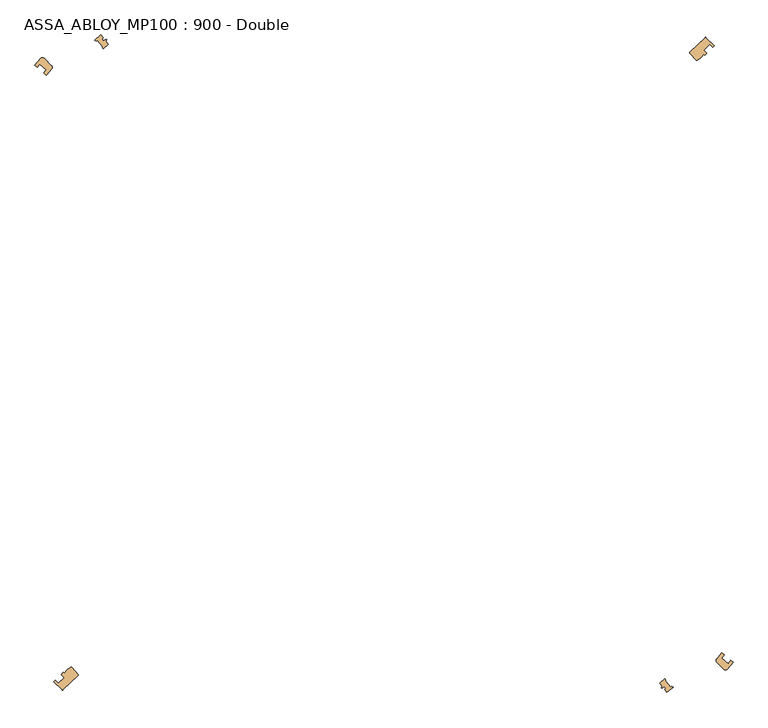
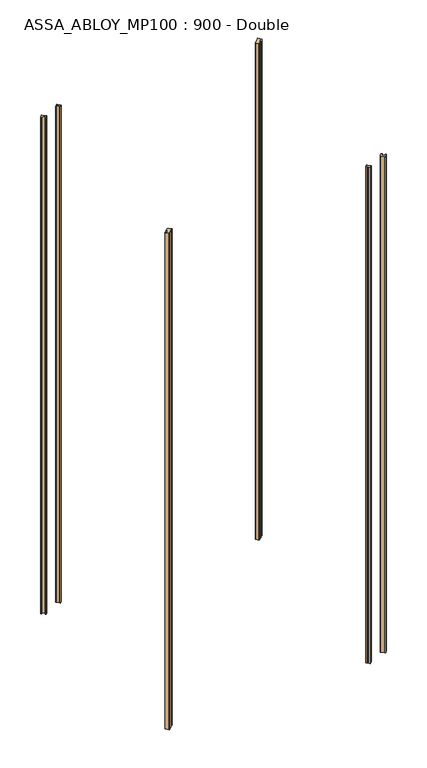
"""IFC4 building model written with IfcOpenShell, lengths in millimetres: door geometry, ASSA_ABLOY_MP100 : 900 - Double."""

from ifc_helpers import new_model, si_unit, point, frame_2d, origin, origin_with_axes, place, context, project, spatial, polyline, circle_curve, trimmed, segment, composite_curve, outline, extrude, source, transform, mapped, element, save


def assa_abloy_mp100_900_double_d3342b2b(model_context):
    return source(origin(), model_context, "Body", "SweptSolid", [
        extrude(outline(composite_curve([segment(polyline([(627.8022851, 512.4185214), (653.0105826, 536.273582)]), True, "CONTINUOUS"), segment(trimmed(circle_curve(frame_2d((653.697925, 535.5472484)), 1.0), [point((653.0105826, 536.273582))], [point((654.4010549, 536.2583099))], False, "CARTESIAN"), True, "CONTINUOUS"), segment(trimmed(circle_curve(frame_2d((46.5111473, -78.4888527)), 864.5485606), [point((654.4010549, 536.2583099))], [point((667.7323222, 522.7835194))], False, "CARTESIAN"), True, "CONTINUOUS"), segment(polyline([(667.7323222, 522.7835194), (665.5766729, 520.6970928)]), True, "CONTINUOUS"), segment(trimmed(circle_curve(frame_2d((46.5111473, -78.4888527)), 861.5485606), [point((665.5766729, 520.6970928))], [point((660.6879103, 525.7071635))], True, "CARTESIAN"), True, "CONTINUOUS"), segment(polyline([(660.6879103, 525.7071635), (650.6278759, 515.9701793)]), True, "CONTINUOUS"), segment(trimmed(circle_curve(frame_2d((46.5111473, -78.4888527)), 847.5485606), [point((650.6278759, 515.9701793))], [point((655.516976, 510.9604353))], False, "CARTESIAN"), True, "CONTINUOUS"), segment(polyline([(655.516976, 510.9604353), (652.0458362, 507.6007616), (650.561018, 509.1735132), (646.5644525, 504.0728199)]), True, "CONTINUOUS"), segment(trimmed(circle_curve(frame_2d((643.4158467, 506.5398589)), 4.0), [point((646.5644525, 504.0728199))], [point((645.705581, 503.2600545))], False, "CARTESIAN"), True, "CONTINUOUS"), segment(polyline([(645.705581, 503.2600545), (639.7589131, 499.1084991)]), True, "CONTINUOUS"), segment(trimmed(circle_curve(frame_2d((639.4871056, 500.0708508)), 1.0), [point((639.7589131, 499.1084991))], [point((638.760772, 499.3835084))], False, "CARTESIAN"), True, "CONTINUOUS"), segment(polyline([(638.760772, 499.3835084), (627.7632939, 511.0048455)]), True, "CONTINUOUS"), segment(trimmed(circle_curve(frame_2d((628.4896275, 511.6921878)), 1.0), [point((627.7632939, 511.0048455))], [point((627.8022851, 512.4185214))], False, "CARTESIAN"), True, "CONTINUOUS")], self_intersect=False)), origin_with_axes(), (0.0, 0.0, 1.0), 2600.0),
        extrude(outline(composite_curve([segment(polyline([(-377.8022851, -512.4185214), (-403.0105826, -536.273582)]), True, "CONTINUOUS"), segment(trimmed(circle_curve(frame_2d((-403.697925, -535.5472484)), 1.0), [point((-403.0105826, -536.273582))], [point((-404.4010549, -536.2583099))], False, "CARTESIAN"), True, "CONTINUOUS"), segment(trimmed(circle_curve(frame_2d((203.4888527, 78.4888527)), 864.5485606), [point((-404.4010549, -536.2583099))], [point((-417.7323222, -522.7835194))], False, "CARTESIAN"), True, "CONTINUOUS"), segment(polyline([(-417.7323222, -522.7835194), (-415.5766729, -520.6970928)]), True, "CONTINUOUS"), segment(trimmed(circle_curve(frame_2d((203.4888527, 78.4888527)), 861.5485606), [point((-415.5766729, -520.6970928))], [point((-410.6879103, -525.7071635))], True, "CARTESIAN"), True, "CONTINUOUS"), segment(polyline([(-410.6879103, -525.7071635), (-400.6278759, -515.9701793)]), True, "CONTINUOUS"), segment(trimmed(circle_curve(frame_2d((203.4888527, 78.4888527)), 847.5485606), [point((-400.6278759, -515.9701793))], [point((-405.516976, -510.9604353))], False, "CARTESIAN"), True, "CONTINUOUS"), segment(polyline([(-405.516976, -510.9604353), (-402.0458362, -507.6007616), (-400.561018, -509.1735132), (-396.5644525, -504.0728199)]), True, "CONTINUOUS"), segment(trimmed(circle_curve(frame_2d((-393.4158467, -506.5398589)), 4.0), [point((-396.5644525, -504.0728199))], [point((-395.705581, -503.2600545))], False, "CARTESIAN"), True, "CONTINUOUS"), segment(polyline([(-395.705581, -503.2600545), (-389.7589131, -499.1084991)]), True, "CONTINUOUS"), segment(trimmed(circle_curve(frame_2d((-389.4871056, -500.0708508)), 1.0), [point((-389.7589131, -499.1084991))], [point((-388.760772, -499.3835084))], False, "CARTESIAN"), True, "CONTINUOUS"), segment(polyline([(-388.760772, -499.3835084), (-377.7632939, -511.0048455)]), True, "CONTINUOUS"), segment(trimmed(circle_curve(frame_2d((-378.4896275, -511.6921878)), 1.0), [point((-377.7632939, -511.0048455))], [point((-377.8022851, -512.4185214))], False, "CARTESIAN"), True, "CONTINUOUS")], self_intersect=False)), origin_with_axes(), (0.0, 0.0, 1.0), 2600.0),
        extrude(outline(composite_curve([segment(polyline([(-449.0446278, 490.6398228), (-439.3824145, 502.3973623)]), True, "CONTINUOUS"), segment(trimmed(circle_curve(frame_2d((-436.6767137, 499.4513169)), 4.0), [point((-439.3824145, 502.3973623))], [point((-433.8482865, 502.2797441))], False, "CARTESIAN"), True, "CONTINUOUS"), segment(polyline([(-433.8482865, 502.2797441), (-421.8771921, 490.3086496)]), True, "CONTINUOUS"), segment(trimmed(circle_curve(frame_2d((-424.7056192, 487.4802224)), 4.0), [point((-421.8771921, 490.3086496))], [point((-421.6151944, 484.9406802))], False, "CARTESIAN"), True, "CONTINUOUS"), segment(polyline([(-421.6151944, 484.9406802), (-430.1809085, 474.5168744), (-434.9038649, 478.5536172)]), True, "CONTINUOUS"), segment(trimmed(circle_curve(frame_2d((125.0, 0.0)), 736.55), [point((-434.9038649, 478.5536172))], [point((-430.3305163, 483.853201))], False, "CARTESIAN"), True, "CONTINUOUS"), segment(polyline([(-430.3305163, 483.853201), (-440.9733804, 492.9497289)]), True, "CONTINUOUS"), segment(trimmed(circle_curve(frame_2d((125.0, 0.0)), 750.55), [point((-440.9733804, 492.9497289))], [point((-445.5462573, 487.6497419))], True, "CARTESIAN"), True, "CONTINUOUS"), segment(polyline([(-445.5462573, 487.6497419), (-449.0446278, 490.6398228)]), True, "CONTINUOUS")], self_intersect=False)), origin_with_axes(), (0.0, 0.0, 1.0), 2600.0),
        extrude(outline(composite_curve([segment(polyline([(699.0472043, -490.6366708), (689.3823376, -502.3974391)]), True, "CONTINUOUS"), segment(trimmed(circle_curve(frame_2d((686.676266, -499.4735295)), 3.9839768), [point((689.3823376, -502.3974391))], [point((683.859169, -502.2906265))], False, "CARTESIAN"), True, "CONTINUOUS"), segment(polyline([(683.859169, -502.2906265), (672.4269581, -490.8584156)]), True, "CONTINUOUS"), segment(trimmed(circle_curve(frame_2d((675.2553852, -488.0299885)), 4.0), [point((672.4269581, -490.8584156))], [point((672.1649605, -485.4904462))], False, "CARTESIAN"), True, "CONTINUOUS"), segment(polyline([(672.1649605, -485.4904462), (680.7717345, -475.0166737), (684.90535, -478.5496643)]), True, "CONTINUOUS"), segment(trimmed(circle_curve(frame_2d((125.0, 0.0)), 736.5485606), [point((684.90535, -478.5496643))], [point((680.3320299, -483.8492727))], False, "CARTESIAN"), True, "CONTINUOUS"), segment(polyline([(680.3320299, -483.8492727), (690.974943, -492.9457432)]), True, "CONTINUOUS"), segment(trimmed(circle_curve(frame_2d((125.0, 0.0)), 750.5485606), [point((690.974943, -492.9457432))], [point((695.5477914, -487.6457316))], True, "CARTESIAN"), True, "CONTINUOUS"), segment(polyline([(695.5477914, -487.6457316), (699.0472043, -490.6366708)]), True, "CONTINUOUS")], self_intersect=False)), origin_with_axes(), (0.0, 0.0, 1.0), 2600.0),
        extrude(outline(composite_curve([segment(polyline([(-332.5134606, 530.6384333), (-328.0517381, 525.0584468)]), True, "CONTINUOUS"), segment(trimmed(circle_curve(frame_2d((125.0, 0.0)), 693.5), [point((-328.0517381, 525.0584468))], [point((-336.2779056, 517.8464481))], True, "CARTESIAN"), True, "CONTINUOUS"), segment(polyline([(-336.2779056, 517.8464481), (-338.5987309, 520.1672734), (-337.5567784, 521.000412), (-346.2998004, 531.9347417), (-348.5594208, 530.1279633), (-350.5324218, 532.1009643)]), True, "CONTINUOUS"), segment(trimmed(circle_curve(frame_2d((125.0, 0.0)), 713.6263171), [point((-350.5324218, 532.1009643))], [point((-340.6292108, 540.7882751))], False, "CARTESIAN"), True, "CONTINUOUS"), segment(polyline([(-340.6292108, 540.7882751), (-336.5727208, 535.7150864), (-338.5252797, 534.1538325), (-336.3395242, 531.4202501), (-331.597733, 533.4963848), (-330.9792385, 532.7228738), (-332.5134606, 530.6384333)]), True, "CONTINUOUS")], self_intersect=False)), origin_with_axes(), (0.0, 0.0, 1.0), 2600.0),
        extrude(outline(composite_curve([segment(polyline([(582.2445492, -530.3695219), (578.0517381, -525.0584468)]), True, "CONTINUOUS"), segment(trimmed(circle_curve(frame_2d((125.0, 0.0)), 693.5), [point((578.0517381, -525.0584468))], [point((586.2779056, -517.8464481))], True, "CARTESIAN"), True, "CONTINUOUS"), segment(polyline([(586.2779056, -517.8464481), (588.5987309, -520.1672734), (587.5567784, -521.000412), (596.2998004, -531.9347418), (598.5594208, -530.1279633), (600.2638351, -531.8323776)]), True, "CONTINUOUS"), segment(trimmed(circle_curve(frame_2d((125.0, 0.0)), 713.2470755), [point((600.2638351, -531.8323776))], [point((590.3602994, -540.5193636))], False, "CARTESIAN"), True, "CONTINUOUS"), segment(polyline([(590.3602994, -540.5193636), (586.3038094, -535.446175), (588.2563683, -533.8849211), (586.0706128, -531.1513387), (581.3288216, -533.2274733), (580.710327, -532.4539624), (582.2445492, -530.3695219)]), True, "CONTINUOUS")], self_intersect=False)), origin_with_axes(), (0.0, 0.0, 1.0), 2600.0),
    ])


if __name__ == "__main__":
    model = new_model("IFC4")
    model_context = context("Model", 3, world=origin())
    ifc_project = project(units=[si_unit("LENGTHUNIT", "METRE", prefix="MILLI")], contexts=[model_context])
    site = spatial("IfcSite", under=ifc_project)
    building = spatial("IfcBuilding", under=site)
    placement = place(None, origin())
    assa_abloy_mp100_900_double_shape = assa_abloy_mp100_900_double_d3342b2b(model_context)
    element("IfcDoor", 1, ObjectType="ASSA_ABLOY_MP100 : 900 - Double", at=placement, inside=building, context=model_context, shape_type="MappedRepresentation", body=[
        mapped(assa_abloy_mp100_900_double_shape, transform((0.0, 0.0, 0.0), x_axis=(1.0, 0.0, 0.0), y_axis=(0.0, 1.0, 0.0), z_axis=(0.0, 0.0, 1.0))),
    ])
    save(model, "model.ifc")
